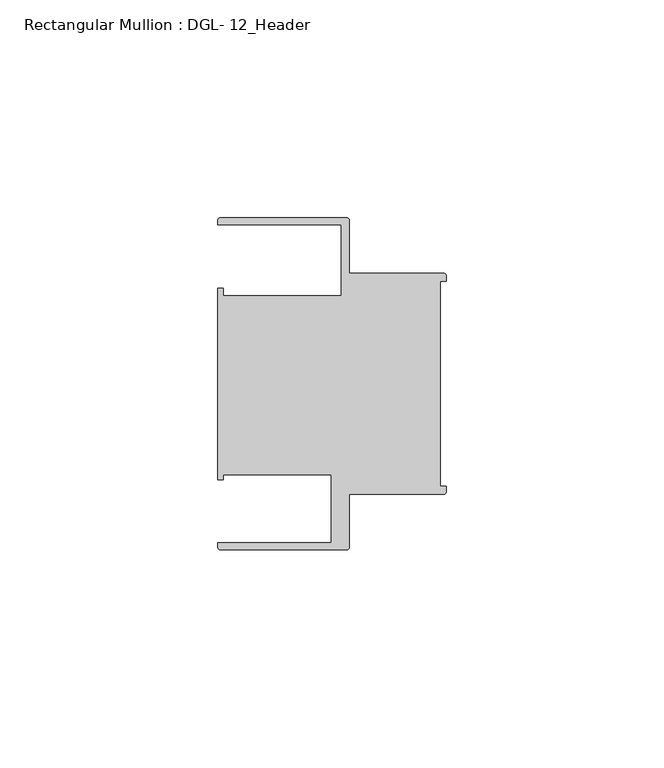
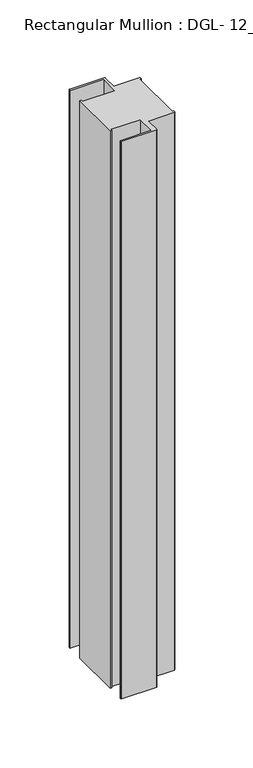
"""IFC4 building model written with IfcOpenShell, lengths in millimetres: member geometry, Rectangular Mullion : DGL- 12_Header."""

from ifc_helpers import new_model, si_unit, point, frame, frame_2d, origin, place, context, project, spatial, polyline, circle_curve, trimmed, segment, composite_curve, outline, extrude, source, transform, mapped, element, save


def rectangular_mullion_dgl_12_header_3795334b(model_context):
    return source(origin(), model_context, "Body", "SweptSolid", [
        extrude(outline(composite_curve([segment(trimmed(circle_curve(frame_2d((-0.5953125, 24.8046875)), 0.5953125), [point((-0.5953125, 25.4))], [point((0.0, 24.8046875))], False, "CARTESIAN"), True, "CONTINUOUS"), segment(polyline([(0.0, 24.8046875), (0.0, 23.4882401), (-1.30175, 23.4882401), (-1.30175, -23.4882401), (0.0, -23.4882401), (0.0, -24.8046875)]), True, "CONTINUOUS"), segment(trimmed(circle_curve(frame_2d((-0.5953125, -24.8046875)), 0.5953125), [point((0.0, -24.8046875))], [point((-0.5953125, -25.4))], False, "CARTESIAN"), True, "CONTINUOUS"), segment(polyline([(-0.5953125, -25.4), (-22.2332076, -25.4), (-22.2332076, -37.5047035)]), True, "CONTINUOUS"), segment(trimmed(circle_curve(frame_2d((-22.8285201, -37.5047035)), 0.5953125), [point((-22.2332076, -37.5047035))], [point((-22.8285201, -38.100016))], False, "CARTESIAN"), True, "CONTINUOUS"), segment(polyline([(-22.8285201, -38.100016), (-51.7968699, -38.100016)]), True, "CONTINUOUS"), segment(trimmed(circle_curve(frame_2d((-51.7968699, -37.5047035)), 0.5953125), [point((-51.7968699, -38.100016))], [point((-52.3921824, -37.5047035))], False, "CARTESIAN"), True, "CONTINUOUS"), segment(polyline([(-52.3921824, -37.5047035), (-52.3921824, -36.512516), (-26.3720794, -36.512516), (-26.3720794, -20.8257348), (-51.1280305, -20.8257348), (-51.1280305, -21.9710976), (-52.3948122, -21.9710976), (-52.3948122, 21.9710976), (-51.1280305, 21.9710976), (-51.1280305, 20.1823589), (-24.0747075, 20.1823589), (-24.0747075, 36.5123462), (-52.3921824, 36.5123462), (-52.3921824, 37.5043667)]), True, "CONTINUOUS"), segment(trimmed(circle_curve(frame_2d((-51.7968699, 37.5043667)), 0.5953125), [point((-52.3921824, 37.5043667))], [point((-51.7968699, 38.0996792))], False, "CARTESIAN"), True, "CONTINUOUS"), segment(polyline([(-51.7968699, 38.0996792), (-22.8285201, 38.0996792)]), True, "CONTINUOUS"), segment(trimmed(circle_curve(frame_2d((-22.8285201, 37.5043667)), 0.5953125), [point((-22.8285201, 38.0996792))], [point((-22.2332076, 37.5043667))], False, "CARTESIAN"), True, "CONTINUOUS"), segment(polyline([(-22.2332076, 37.5043667), (-22.2332076, 25.4), (-0.5953125, 25.4)]), True, "CONTINUOUS")], self_intersect=False)), frame((0.0, 0.0, -494.4290553), z_axis=(0.0, 0.0, 1.0), x_axis=(1.0, 0.0, 0.0)), (0.0, 0.0, 1.0), 494.4290553),
    ])


if __name__ == "__main__":
    model = new_model("IFC4")
    model_context = context("Model", 3, world=origin())
    ifc_project = project(units=[si_unit("LENGTHUNIT", "METRE", prefix="MILLI")], contexts=[model_context])
    site = spatial("IfcSite", under=ifc_project)
    building = spatial("IfcBuilding", under=site)
    placement = place(None, origin())
    rectangular_mullion_dgl_12_header_shape = rectangular_mullion_dgl_12_header_3795334b(model_context)
    element("IfcMember", 1, ObjectType="Rectangular Mullion : DGL- 12_Header", at=placement, inside=building, context=model_context, shape_type="MappedRepresentation", body=[
        mapped(rectangular_mullion_dgl_12_header_shape, transform((0.0, 0.0, 0.0), x_axis=(1.0, 0.0, 0.0), y_axis=(0.0, 1.0, 0.0), z_axis=(0.0, 0.0, 1.0))),
    ])
    save(model, "model.ifc")
